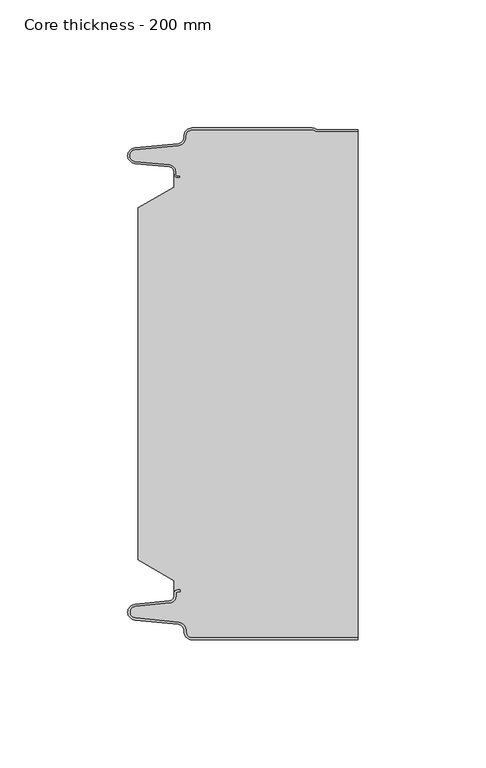
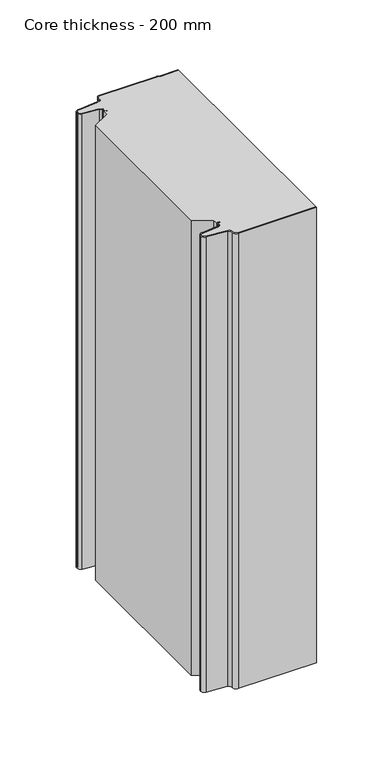
"""IFC4 building model written with IfcOpenShell, lengths in millimetres: plate geometry, Core thickness - 200 mm."""

from ifc_helpers import new_model, si_unit, frame, origin, place, context, project, spatial, polyline, circle_curve, source, transform, mapped, element, save
from ifc_brep_helpers import plane_surface, cylinder_surface, revolved_surface, advanced_brep


def core_thickness_200_mm_9d79c6a9(model_context):
    return source(origin(), model_context, "Body", "AdvancedBrep", [
        advanced_brep(
        [(-19.8000003, -199.9996949, 0.0), (-22.9923632, -196.5787437, 0.0), (-25.2560431, -193.9171154, 0.0), (-42.2115315, -192.2546153, 0.0), (-44.9999998, -189.1776715, 0.0), (-42.2115315, -186.1007278, 0.0), (-28.6195785, -184.7680252, 0.0), (-26.9952277, -182.9766159, 0.0), (-26.9952277, -181.8996949, 0.0), (-25.5952277, -180.4996949, 0.0), (-24.4952277, -180.4996949, 0.0), (-24.4952277, -181.2996949, 0.0), (-25.5952277, -181.2996949, 0.0), (-26.1952277, -181.8996949, 0.0), (-26.1952277, -182.9766159, 0.0), (-28.5415122, -185.5642071, 0.0), (-42.1334652, -186.8969097, 0.0), (-44.1999997, -189.1776715, 0.0), (-42.1334652, -191.4584333, 0.0), (-25.1779767, -193.1209335, 0.0), (-22.2078761, -196.6330399, 0.0), (-19.8000003, -199.1996949, 0.0), (44.9999998, -199.2, 0.0), (44.9999998, -199.9996949, 0.0), (-19.8000003, -199.1996949, 400.0), (-22.1942724, -196.6339815, 400.0), (-25.1779767, -193.1209335, 400.0), (-42.1334652, -191.4584333, 400.0), (-44.1999997, -189.1776715, 400.0), (-42.1334652, -186.8969097, 400.0), (-28.5415122, -185.5642071, 400.0), (-26.1952277, -182.9766159, 400.0), (-26.1952277, -181.8996949, 400.0), (-25.5952277, -181.2996949, 400.0), (-24.4952277, -181.2996949, 400.0), (-24.4952277, -180.4996949, 400.0), (-25.5952277, -180.4996949, 400.0), (-26.9952277, -181.8996949, 400.0), (-26.9952277, -182.9766159, 400.0), (-28.6195785, -184.7680252, 400.0), (-42.2115315, -186.1007278, 400.0), (-44.9999998, -189.1776715, 400.0), (-42.2115315, -192.2546153, 400.0), (-25.2560431, -193.9171154, 400.0), (-23.0059668, -196.5778021, 400.0), (-19.8000003, -199.9996949, 400.0), (44.9999998, -199.9996949, 400.0), (44.9999998, -199.2, 400.0)],
        [
            (0, 1, circle_curve(frame((-19.8000003, -196.7996949, 0.0), z_axis=(0.0, 0.0, -1.0), x_axis=(1.0, 0.0, 0.0)), 3.2)),
            (1, 2, circle_curve(frame((-25.5000003, -196.4051839, 0.0), z_axis=(0.0, 0.0, 1.0), x_axis=(1.0, 0.0, 0.0)), 2.5)),
            (2, 3),
            (3, 4, circle_curve(frame((-41.9100003, -189.1793626, 0.0), z_axis=(0.0, 0.0, -1.0), x_axis=(1.0, 0.0, 0.0)), 3.09)),
            (4, 5, circle_curve(frame((-41.9100003, -189.1759805, 0.0), z_axis=(0.0, 0.0, -1.0), x_axis=(1.0, 0.0, 0.0)), 3.09)),
            (5, 6),
            (6, 7, circle_curve(frame((-28.7952277, -182.9766159, 0.0), z_axis=(0.0, 0.0, 1.0), x_axis=(1.0, 0.0, 0.0)), 1.8)),
            (7, 8),
            (8, 9, circle_curve(frame((-25.5952277, -181.8996949, 0.0), z_axis=(0.0, 0.0, -1.0), x_axis=(1.0, 0.0, 0.0)), 1.4)),
            (9, 10),
            (10, 11),
            (11, 12),
            (12, 13, circle_curve(frame((-25.5952277, -181.8996949, 0.0), z_axis=(0.0, 0.0, 1.0), x_axis=(1.0, 0.0, 0.0)), 0.6)),
            (13, 14),
            (14, 15, circle_curve(frame((-28.7952277, -182.9766159, 0.0), z_axis=(0.0, 0.0, -1.0), x_axis=(1.0, 0.0, 0.0)), 2.6)),
            (15, 16),
            (16, 17, circle_curve(frame((-41.9100003, -189.1759805, 0.0), z_axis=(0.0, 0.0, 1.0), x_axis=(1.0, 0.0, 0.0)), 2.29)),
            (17, 18, circle_curve(frame((-41.9100003, -189.1793626, 0.0), z_axis=(0.0, 0.0, 1.0), x_axis=(1.0, 0.0, 0.0)), 2.29)),
            (18, 19),
            (19, 20, circle_curve(frame((-25.5000003, -196.4051839, 0.0), z_axis=(0.0, 0.0, -1.0), x_axis=(1.0, 0.0, 0.0)), 3.3)),
            (20, 21, circle_curve(frame((-19.8000003, -196.7996949, 0.0), z_axis=(0.0, 0.0, 1.0), x_axis=(1.0, 0.0, 0.0)), 2.4)),
            (21, 22),
            (22, 23),
            (23, 0),
            (24, 25, circle_curve(frame((-19.8000003, -196.7996949, 400.0), z_axis=(0.0, 0.0, -1.0), x_axis=(1.0, 0.0, 0.0)), 2.4)),
            (25, 26, circle_curve(frame((-25.5000003, -196.4051839, 400.0), z_axis=(0.0, 0.0, 1.0), x_axis=(1.0, 0.0, 0.0)), 3.3)),
            (26, 27),
            (27, 28, circle_curve(frame((-41.9100003, -189.1793626, 400.0), z_axis=(0.0, 0.0, -1.0), x_axis=(1.0, 0.0, 0.0)), 2.29)),
            (28, 29, circle_curve(frame((-41.9100003, -189.1759805, 400.0), z_axis=(0.0, 0.0, -1.0), x_axis=(1.0, 0.0, 0.0)), 2.29)),
            (29, 30),
            (30, 31, circle_curve(frame((-28.7952277, -182.9766159, 400.0), z_axis=(0.0, 0.0, 1.0), x_axis=(1.0, 0.0, 0.0)), 2.6)),
            (31, 32),
            (32, 33, circle_curve(frame((-25.5952277, -181.8996949, 400.0), z_axis=(0.0, 0.0, -1.0), x_axis=(1.0, 0.0, 0.0)), 0.6)),
            (33, 34),
            (34, 35),
            (35, 36),
            (36, 37, circle_curve(frame((-25.5952277, -181.8996949, 400.0), z_axis=(0.0, 0.0, 1.0), x_axis=(1.0, 0.0, 0.0)), 1.4)),
            (37, 38),
            (38, 39, circle_curve(frame((-28.7952277, -182.9766159, 400.0), z_axis=(0.0, 0.0, -1.0), x_axis=(1.0, 0.0, 0.0)), 1.8)),
            (39, 40),
            (40, 41, circle_curve(frame((-41.9100003, -189.1759805, 400.0), z_axis=(0.0, 0.0, 1.0), x_axis=(1.0, 0.0, 0.0)), 3.09)),
            (41, 42, circle_curve(frame((-41.9100003, -189.1793626, 400.0), z_axis=(0.0, 0.0, 1.0), x_axis=(1.0, 0.0, 0.0)), 3.09)),
            (42, 43),
            (43, 44, circle_curve(frame((-25.5000003, -196.4051839, 400.0), z_axis=(0.0, 0.0, -1.0), x_axis=(1.0, 0.0, 0.0)), 2.5)),
            (44, 45, circle_curve(frame((-19.8000003, -196.7996949, 400.0), z_axis=(0.0, 0.0, 1.0), x_axis=(1.0, 0.0, 0.0)), 3.2)),
            (45, 46),
            (46, 47),
            (47, 24),
            (21, 24),
            (47, 22),
            (20, 25),
            (19, 26),
            (18, 27),
            (17, 28),
            (16, 29),
            (15, 30),
            (14, 31),
            (13, 32),
            (12, 33),
            (11, 34),
            (10, 35),
            (9, 36),
            (8, 37),
            (7, 38),
            (6, 39),
            (5, 40),
            (4, 41),
            (3, 42),
            (2, 43),
            (1, 44),
            (0, 45),
            (23, 46),
        ],
        [
            plane_surface(frame((-44.9999998, -200.0, 0.0), z_axis=(0.0, 0.0, -1.0), x_axis=(0.0, 1.0, 0.0))),
            plane_surface(frame((-44.9999998, -200.0, 400.0), z_axis=(0.0, 0.0, 1.0), x_axis=(0.0, 1.0, 0.0))),
            plane_surface(frame((-19.8000003, -199.2, 0.0), z_axis=(0.0, 1.0, 0.0), x_axis=(0.0, 0.0, 1.0))),
            revolved_surface(polyline([(-17.400000300000002, -196.7996949, 400.0), (-17.400000300000002, -196.7996949, 0.0)]), (-19.8000003, -196.7996949, 0.0), (0.0, 0.0, 1.0)),
            cylinder_surface(frame((-25.5000003, -196.4051839, 0.0), z_axis=(0.0, 0.0, -1.0), x_axis=(1.0, 0.0, 0.0)), 3.3),
            plane_surface(frame((-42.1334652, -191.4584333, 0.0), z_axis=(0.09758289975914758, 0.9952273999818314, 0.0), x_axis=(0.0, 0.0, 1.0))),
            revolved_surface(polyline([(-39.6200003, -189.1793626, 400.0), (-39.6200003, -189.1793626, 0.0)]), (-41.9100003, -189.1793626, 0.0), (0.0, 0.0, 1.0)),
            revolved_surface(polyline([(-39.6200003, -189.1759805, 400.0), (-39.6200003, -189.1759805, 0.0)]), (-41.9100003, -189.1759805, 0.0), (0.0, 0.0, 1.0)),
            plane_surface(frame((-28.5415122, -185.5642071, 0.0), z_axis=(0.09758289975914383, -0.9952273999818317, 0.0), x_axis=(0.0, 0.0, 1.0))),
            cylinder_surface(frame((-28.7952277, -182.9766159, 0.0), z_axis=(0.0, 0.0, -1.0), x_axis=(1.0, 0.0, 0.0)), 2.6),
            plane_surface(frame((-26.1952277, -181.8996949, 0.0), z_axis=(1.0, 0.0, 0.0), x_axis=(0.0, 0.0, 1.0))),
            revolved_surface(polyline([(-24.995227699999997, -181.8996949, 400.0), (-24.995227699999997, -181.8996949, 0.0)]), (-25.5952277, -181.8996949, 0.0), (0.0, 0.0, 1.0)),
            plane_surface(frame((-24.4952277, -181.2996949, 0.0), z_axis=(0.0, -1.0, 0.0), x_axis=(0.0, 0.0, 1.0))),
            plane_surface(frame((-24.4952277, -180.4996949, 0.0), z_axis=(1.0, 0.0, 0.0), x_axis=(0.0, 0.0, 1.0))),
            plane_surface(frame((-25.5952277, -180.4996949, 0.0), z_axis=(0.0, 1.0, 0.0), x_axis=(0.0, 0.0, 1.0))),
            cylinder_surface(frame((-25.5952277, -181.8996949, 0.0), z_axis=(0.0, 0.0, -1.0), x_axis=(1.0, 0.0, 0.0)), 1.4),
            plane_surface(frame((-26.9952277, -182.9766159, 0.0), z_axis=(-1.0, 0.0, 0.0), x_axis=(0.0, 0.0, 1.0))),
            revolved_surface(polyline([(-26.9952277, -182.9766159, 400.0), (-26.9952277, -182.9766159, 0.0)]), (-28.7952277, -182.9766159, 0.0), (0.0, 0.0, 1.0)),
            plane_surface(frame((-42.2115315, -186.1007278, 0.0), z_axis=(-0.09758289975914387, 0.9952273999818317, 0.0), x_axis=(0.0, 0.0, 1.0))),
            cylinder_surface(frame((-41.9100003, -189.1759805, 0.0), z_axis=(0.0, 0.0, -1.0), x_axis=(1.0, 0.0, 0.0)), 3.09),
            cylinder_surface(frame((-41.9100003, -189.1793626, 0.0), z_axis=(0.0, 0.0, -1.0), x_axis=(1.0, 0.0, 0.0)), 3.09),
            plane_surface(frame((-25.2560431, -193.9171154, 0.0), z_axis=(-0.09758289975914762, -0.9952273999818314, 0.0), x_axis=(0.0, 0.0, 1.0))),
            revolved_surface(polyline([(-23.0000003, -196.4051839, 400.0), (-23.0000003, -196.4051839, 0.0)]), (-25.5000003, -196.4051839, 0.0), (0.0, 0.0, 1.0)),
            cylinder_surface(frame((-19.8000003, -196.7996949, 0.0), z_axis=(0.0, 0.0, -1.0), x_axis=(1.0, 0.0, 0.0)), 3.2),
            plane_surface(frame((1121.009932, -199.9996949, 0.0), z_axis=(0.0, -1.0, 0.0), x_axis=(0.0, 0.0, 1.0))),
            plane_surface(frame((44.9999998, 180.0, 400.0), z_axis=(1.0, 0.0, 0.0), x_axis=(0.0, 0.0, -1.0))),
        ],
        [
            (0, [[1, 2, 3, 4, 5, 6, 7, 8, 9, 10, 11, 12, 13, 14, 15, 16, 17, 18, 19, 20, 21, 22, 23, 24]]),
            (1, [[25, 26, 27, 28, 29, 30, 31, 32, 33, 34, 35, 36, 37, 38, 39, 40, 41, 42, 43, 44, 45, 46, 47, 48]]),
            (2, [[49, -48, 50, -22]]),
            (3, [[-21, 51, -25, -49]]),
            (4, [[-20, 52, -26, -51]]),
            (5, [[-19, 53, -27, -52]]),
            (6, [[-18, 54, -28, -53]]),
            (7, [[-17, 55, -29, -54]]),
            (8, [[-16, 56, -30, -55]]),
            (9, [[-15, 57, -31, -56]]),
            (10, [[-14, 58, -32, -57]]),
            (11, [[-13, 59, -33, -58]]),
            (12, [[-12, 60, -34, -59]]),
            (13, [[-11, 61, -35, -60]]),
            (14, [[-10, 62, -36, -61]]),
            (15, [[-9, 63, -37, -62]]),
            (16, [[-8, 64, -38, -63]]),
            (17, [[-7, 65, -39, -64]]),
            (18, [[-6, 66, -40, -65]]),
            (19, [[-5, 67, -41, -66]]),
            (20, [[-4, 68, -42, -67]]),
            (21, [[-3, 69, -43, -68]]),
            (22, [[-2, 70, -44, -69]]),
            (23, [[-1, 71, -45, -70]]),
            (24, [[-71, -24, 72, -46]]),
            (25, [[-23, -50, -47, -72]]),
        ],
    ),
        advanced_brep(
        [(-26.9952277, -23.1062917, 400.0), (-41.0446509, -31.1628062, 400.0), (-41.0446509, -168.7531937, 400.0), (-26.9952277, -176.8937083, 400.0), (-26.9952277, -180.4996949, 400.0), (-26.9952277, -181.8996949, 400.0), (-25.5952277, -180.4996949, 400.0), (-24.4952277, -180.4996949, 400.0), (-24.4952277, -181.2996949, 400.0), (-25.5952277, -181.2996949, 400.0), (-26.1952277, -181.8996949, 400.0), (-26.1952277, -182.9766159, 400.0), (-28.5415122, -185.5642071, 400.0), (-42.1334652, -186.8969097, 400.0), (-44.1999997, -189.1776715, 400.0), (-42.1334652, -191.4584333, 400.0), (-25.1779767, -193.1209335, 400.0), (-22.2078761, -196.6330399, 400.0), (-19.8000003, -199.1996949, 400.0), (44.9999998, -199.2, 400.0), (44.9999998, -1.5003051, 400.0), (29.4172165, -1.5003051, 400.0), (27.9978051, -1.0971009, 400.0), (26.9454197, -0.8, 400.0), (-19.8000003, -0.8, 400.0), (-22.1942724, -3.3660185, 400.0), (-25.1779767, -6.8790665, 400.0), (-42.1334652, -8.5415667, 400.0), (-44.1999997, -10.8223285, 400.0), (-42.1334652, -13.1030903, 400.0), (-28.5415122, -14.4357929, 400.0), (-26.1952277, -17.0233841, 400.0), (-26.1952277, -18.1003051, 400.0), (-25.5952277, -18.7003051, 400.0), (-24.4952277, -18.7003051, 400.0), (-24.4952277, -19.5003051, 400.0), (-25.5952277, -19.5003051, 400.0), (-26.9952277, -18.1003051, 400.0), (-26.9952277, -19.5003051, 400.0), (-26.9952277, -176.8937083, 0.0), (-41.0446509, -168.7531937, 0.0), (-41.0446509, -31.1628062, 0.0), (-26.9952277, -23.1062917, 0.0), (-26.9952277, -19.5003051, 0.0), (-26.9952277, -18.1003051, 0.0), (-25.5952277, -19.5003051, 0.0), (-24.4952277, -19.5003051, 0.0), (-24.4952277, -18.7003051, 0.0), (-25.5952277, -18.7003051, 0.0), (-26.1952277, -18.1003051, 0.0), (-26.1952277, -17.0233841, 0.0), (-28.5415122, -14.4357929, 0.0), (-42.1334652, -13.1030903, 0.0), (-44.1999997, -10.8223285, 0.0), (-42.1334652, -8.5415667, 0.0), (-25.1779767, -6.8790665, 0.0), (-22.2078761, -3.3669601, 0.0), (-19.8000003, -0.8003051, 0.0), (26.9454197, -0.8, 0.0), (27.9968355, -1.0986697, 0.0), (29.4172165, -1.5003051, 0.0), (44.9999998, -1.5003051, 0.0), (44.9999998, -199.2, 0.0), (-19.8000003, -199.2, 0.0), (-22.1942724, -196.6339815, 0.0), (-25.1779767, -193.1209335, 0.0), (-42.1334652, -191.4584333, 0.0), (-44.1999997, -189.1776715, 0.0), (-42.1334652, -186.8969097, 0.0), (-28.5415122, -185.5642071, 0.0), (-26.1952277, -182.9766159, 0.0), (-26.1952277, -181.8996949, 0.0), (-25.5952277, -181.2996949, 0.0), (-24.4952277, -181.2996949, 0.0), (-24.4952277, -180.4996949, 0.0), (-25.5952277, -180.4996949, 0.0), (-26.9952277, -181.8996949, 0.0), (-26.9952277, -180.4996949, 0.0)],
        [
            (0, 1),
            (1, 2),
            (2, 3),
            (3, 4),
            (4, 5),
            (5, 6, circle_curve(frame((-25.5952277, -181.8996949, 400.0), z_axis=(0.0, 0.0, -1.0), x_axis=(1.0, 0.0, 0.0)), 1.4)),
            (6, 7),
            (7, 8),
            (8, 9),
            (9, 10, circle_curve(frame((-25.5952277, -181.8996949, 400.0), z_axis=(0.0, 0.0, 1.0), x_axis=(1.0, 0.0, 0.0)), 0.6)),
            (10, 11),
            (11, 12, circle_curve(frame((-28.7952277, -182.9766159, 400.0), z_axis=(0.0, 0.0, -1.0), x_axis=(1.0, 0.0, 0.0)), 2.6)),
            (12, 13),
            (13, 14, circle_curve(frame((-41.9100003, -189.1759805, 400.0), z_axis=(0.0, 0.0, 1.0), x_axis=(1.0, 0.0, 0.0)), 2.29)),
            (14, 15, circle_curve(frame((-41.9100003, -189.1793626, 400.0), z_axis=(0.0, 0.0, 1.0), x_axis=(1.0, 0.0, 0.0)), 2.29)),
            (15, 16),
            (16, 17, circle_curve(frame((-25.5000003, -196.4051839, 400.0), z_axis=(0.0, 0.0, -1.0), x_axis=(1.0, 0.0, 0.0)), 3.3)),
            (17, 18, circle_curve(frame((-19.8000003, -196.7996949, 400.0), z_axis=(0.0, 0.0, 1.0), x_axis=(1.0, 0.0, 0.0)), 2.4)),
            (18, 19),
            (19, 20),
            (20, 21),
            (21, 22, circle_curve(frame((29.4172165, 1.1996949, 400.0), z_axis=(0.0, 0.0, -1.0), x_axis=(1.0, 0.0, 0.0)), 2.7)),
            (22, 23, circle_curve(frame((26.9454197, -2.8, 400.0), z_axis=(0.0, 0.0, 1.0), x_axis=(1.0, 0.0, 0.0)), 2.0)),
            (23, 24),
            (24, 25, circle_curve(frame((-19.8000003, -3.2003051, 400.0), z_axis=(0.0, 0.0, 1.0), x_axis=(1.0, 0.0, 0.0)), 2.4)),
            (25, 26, circle_curve(frame((-25.5000003, -3.5948161, 400.0), z_axis=(0.0, 0.0, -1.0), x_axis=(1.0, 0.0, 0.0)), 3.3)),
            (26, 27),
            (27, 28, circle_curve(frame((-41.9100003, -10.8206374, 400.0), z_axis=(0.0, 0.0, 1.0), x_axis=(1.0, 0.0, 0.0)), 2.29)),
            (28, 29, circle_curve(frame((-41.9100003, -10.8240195, 400.0), z_axis=(0.0, 0.0, 1.0), x_axis=(1.0, 0.0, 0.0)), 2.29)),
            (29, 30),
            (30, 31, circle_curve(frame((-28.7952277, -17.0233841, 400.0), z_axis=(0.0, 0.0, -1.0), x_axis=(1.0, 0.0, 0.0)), 2.6)),
            (31, 32),
            (32, 33, circle_curve(frame((-25.5952277, -18.1003051, 400.0), z_axis=(0.0, 0.0, 1.0), x_axis=(1.0, 0.0, 0.0)), 0.6)),
            (33, 34),
            (34, 35),
            (35, 36),
            (36, 37, circle_curve(frame((-25.5952277, -18.1003051, 400.0), z_axis=(0.0, 0.0, -1.0), x_axis=(1.0, 0.0, 0.0)), 1.4)),
            (37, 38),
            (38, 0),
            (39, 40),
            (40, 41),
            (41, 42),
            (42, 43),
            (43, 44),
            (44, 45, circle_curve(frame((-25.5952277, -18.1003051, 0.0), z_axis=(0.0, 0.0, 1.0), x_axis=(1.0, 0.0, 0.0)), 1.4)),
            (45, 46),
            (46, 47),
            (47, 48),
            (48, 49, circle_curve(frame((-25.5952277, -18.1003051, 0.0), z_axis=(0.0, 0.0, -1.0), x_axis=(1.0, 0.0, 0.0)), 0.6)),
            (49, 50),
            (50, 51, circle_curve(frame((-28.7952277, -17.0233841, 0.0), z_axis=(0.0, 0.0, 1.0), x_axis=(1.0, 0.0, 0.0)), 2.6)),
            (51, 52),
            (52, 53, circle_curve(frame((-41.9100003, -10.8240195, 0.0), z_axis=(0.0, 0.0, -1.0), x_axis=(1.0, 0.0, 0.0)), 2.29)),
            (53, 54, circle_curve(frame((-41.9100003, -10.8206374, 0.0), z_axis=(0.0, 0.0, -1.0), x_axis=(1.0, 0.0, 0.0)), 2.29)),
            (54, 55),
            (55, 56, circle_curve(frame((-25.5000003, -3.5948161, 0.0), z_axis=(0.0, 0.0, 1.0), x_axis=(1.0, 0.0, 0.0)), 3.3)),
            (56, 57, circle_curve(frame((-19.8000003, -3.2003051, 0.0), z_axis=(0.0, 0.0, -1.0), x_axis=(1.0, 0.0, 0.0)), 2.4)),
            (57, 58),
            (58, 59, circle_curve(frame((26.9454197, -2.8, 0.0), z_axis=(0.0, 0.0, -1.0), x_axis=(1.0, 0.0, 0.0)), 2.0)),
            (59, 60, circle_curve(frame((29.4172165, 1.1996949, 0.0), z_axis=(0.0, 0.0, 1.0), x_axis=(1.0, 0.0, 0.0)), 2.7)),
            (60, 61),
            (61, 62),
            (62, 63),
            (63, 64, circle_curve(frame((-19.8000003, -196.7996949, 0.0), z_axis=(0.0, 0.0, -1.0), x_axis=(1.0, 0.0, 0.0)), 2.4)),
            (64, 65, circle_curve(frame((-25.5000003, -196.4051839, 0.0), z_axis=(0.0, 0.0, 1.0), x_axis=(1.0, 0.0, 0.0)), 3.3)),
            (65, 66),
            (66, 67, circle_curve(frame((-41.9100003, -189.1793626, 0.0), z_axis=(0.0, 0.0, -1.0), x_axis=(1.0, 0.0, 0.0)), 2.29)),
            (67, 68, circle_curve(frame((-41.9100003, -189.1759805, 0.0), z_axis=(0.0, 0.0, -1.0), x_axis=(1.0, 0.0, 0.0)), 2.29)),
            (68, 69),
            (69, 70, circle_curve(frame((-28.7952277, -182.9766159, 0.0), z_axis=(0.0, 0.0, 1.0), x_axis=(1.0, 0.0, 0.0)), 2.6)),
            (70, 71),
            (71, 72, circle_curve(frame((-25.5952277, -181.8996949, 0.0), z_axis=(0.0, 0.0, -1.0), x_axis=(1.0, 0.0, 0.0)), 0.6)),
            (72, 73),
            (73, 74),
            (74, 75),
            (75, 76, circle_curve(frame((-25.5952277, -181.8996949, 0.0), z_axis=(0.0, 0.0, 1.0), x_axis=(1.0, 0.0, 0.0)), 1.4)),
            (76, 77),
            (77, 39),
            (42, 0),
            (37, 44),
            (1, 41),
            (40, 2),
            (39, 3),
            (76, 5),
            (18, 63),
            (62, 19),
            (17, 64),
            (16, 65),
            (15, 66),
            (14, 67),
            (13, 68),
            (12, 69),
            (11, 70),
            (10, 71),
            (9, 72),
            (8, 73),
            (7, 74),
            (6, 75),
            (57, 24),
            (23, 58),
            (22, 59),
            (21, 60),
            (20, 61),
            (36, 45),
            (35, 46),
            (34, 47),
            (33, 48),
            (32, 49),
            (31, 50),
            (30, 51),
            (29, 52),
            (28, 53),
            (27, 54),
            (26, 55),
            (25, 56),
        ],
        [
            plane_surface(frame((-44.9999998, 0.0, 400.0), z_axis=(0.0, 0.0, 1.0), x_axis=(0.0, -1.0, 0.0))),
            plane_surface(frame((-44.9999998, 0.0, 0.0), z_axis=(0.0, 0.0, -1.0), x_axis=(0.0, -1.0, 0.0))),
            plane_surface(frame((-26.9952277, -17.0229218, 400.0), z_axis=(-1.0, 0.0, 0.0), x_axis=(0.0, 0.0, -1.0))),
            plane_surface(frame((-41.0446509, -31.1628062, 400.0), z_axis=(-1.0, 0.0, 0.0), x_axis=(0.0, 0.0, -1.0))),
            plane_surface(frame((-26.9952277, -23.1062917, 400.0), z_axis=(-0.4974543664933155, 0.8674901459133322, 0.0), x_axis=(0.0, 0.0, -1.0))),
            plane_surface(frame((-41.0446509, -168.7531937, 400.0), z_axis=(-0.5013424225369615, -0.8652489672717159, 0.0), x_axis=(0.0, 0.0, -1.0))),
            plane_surface(frame((-26.9952277, -176.8937083, 400.0), z_axis=(-1.0, 0.0, 0.0), x_axis=(0.0, 0.0, -1.0))),
            plane_surface(frame((1121.009932, -199.2, 530.0), z_axis=(0.0, -1.0, 0.0), x_axis=(0.0, 0.0, -1.0))),
            cylinder_surface(frame((-19.8000003, -196.7996949, 530.0), z_axis=(0.0, 0.0, -1.0), x_axis=(1.0, 0.0, 0.0)), 2.4),
            revolved_surface(polyline([(-22.2000003, -196.4051839, 400.0), (-22.2000003, -196.4051839, 0.0)]), (-25.5000003, -196.4051839, 530.0), (0.0, 0.0, 1.0)),
            plane_surface(frame((-25.1779767, -193.1209335, 530.0), z_axis=(-0.09758289975914758, -0.9952273999818314, 0.0), x_axis=(0.0, 0.0, -1.0))),
            cylinder_surface(frame((-41.9100003, -189.1793626, 530.0), z_axis=(0.0, 0.0, -1.0), x_axis=(1.0, 0.0, 0.0)), 2.29),
            cylinder_surface(frame((-41.9100003, -189.1759805, 530.0), z_axis=(0.0, 0.0, -1.0), x_axis=(1.0, 0.0, 0.0)), 2.29),
            plane_surface(frame((-42.1334652, -186.8969097, 530.0), z_axis=(-0.09758289975914383, 0.9952273999818317, 0.0), x_axis=(0.0, 0.0, -1.0))),
            revolved_surface(polyline([(-26.1952277, -182.9766159, 400.0), (-26.1952277, -182.9766159, 0.0)]), (-28.7952277, -182.9766159, 530.0), (0.0, 0.0, 1.0)),
            plane_surface(frame((-26.1952277, -182.9766159, 530.0), z_axis=(-1.0, 0.0, 0.0), x_axis=(0.0, 0.0, -1.0))),
            cylinder_surface(frame((-25.5952277, -181.8996949, 530.0), z_axis=(0.0, 0.0, -1.0), x_axis=(1.0, 0.0, 0.0)), 0.6),
            plane_surface(frame((-25.5952277, -181.2996949, 530.0), z_axis=(0.0, 1.0, 0.0), x_axis=(0.0, 0.0, -1.0))),
            plane_surface(frame((-24.4952277, -181.2996949, 530.0), z_axis=(-1.0, 0.0, 0.0), x_axis=(0.0, 0.0, -1.0))),
            plane_surface(frame((-24.4952277, -180.4996949, 530.0), z_axis=(0.0, -1.0, 0.0), x_axis=(0.0, 0.0, -1.0))),
            revolved_surface(polyline([(-24.1952277, -181.8996949, 400.0), (-24.1952277, -181.8996949, 0.0)]), (-25.5952277, -181.8996949, 530.0), (0.0, 0.0, 1.0)),
            plane_surface(frame((-19.8000003, -0.8, 530.0), z_axis=(0.0, 1.0, 0.0), x_axis=(0.0, 0.0, -1.0))),
            cylinder_surface(frame((26.9454197, -2.8, 530.0), z_axis=(0.0, 0.0, -1.0), x_axis=(1.0, 0.0, 0.0)), 2.0),
            revolved_surface(polyline([(32.1172165, 1.1996949, 400.0), (32.1172165, 1.1996949, 0.0)]), (29.4172165, 1.1996949, 530.0), (0.0, 0.0, 1.0)),
            plane_surface(frame((29.4172165, -1.5003051, 530.0), z_axis=(0.0, 1.0, 0.0), x_axis=(0.0, 0.0, -1.0))),
            revolved_surface(polyline([(-24.1952277, -18.1003051, 400.0), (-24.1952277, -18.1003051, 0.0)]), (-25.5952277, -18.1003051, 530.0), (0.0, 0.0, 1.0)),
            plane_surface(frame((-25.5952277, -19.5003051, 530.0), z_axis=(0.0, 1.0, 0.0), x_axis=(0.0, 0.0, -1.0))),
            plane_surface(frame((-24.4952277, -19.5003051, 530.0), z_axis=(-1.0, 0.0, 0.0), x_axis=(0.0, 0.0, -1.0))),
            plane_surface(frame((-24.4952277, -18.7003051, 530.0), z_axis=(0.0, -1.0, 0.0), x_axis=(0.0, 0.0, -1.0))),
            cylinder_surface(frame((-25.5952277, -18.1003051, 530.0), z_axis=(0.0, 0.0, -1.0), x_axis=(1.0, 0.0, 0.0)), 0.6),
            plane_surface(frame((-26.1952277, -18.1003051, 530.0), z_axis=(-1.0, 0.0, 0.0), x_axis=(0.0, 0.0, -1.0))),
            revolved_surface(polyline([(-26.1952277, -17.0233841, 400.0), (-26.1952277, -17.0233841, 0.0)]), (-28.7952277, -17.0233841, 530.0), (0.0, 0.0, 1.0)),
            plane_surface(frame((-28.5415122, -14.4357929, 530.0), z_axis=(-0.09758289975914705, -0.9952273999818314, 0.0), x_axis=(0.0, 0.0, -1.0))),
            cylinder_surface(frame((-41.9100003, -10.8240195, 530.0), z_axis=(0.0, 0.0, -1.0), x_axis=(1.0, 0.0, 0.0)), 2.29),
            cylinder_surface(frame((-41.9100003, -10.8206374, 530.0), z_axis=(0.0, 0.0, -1.0), x_axis=(1.0, 0.0, 0.0)), 2.29),
            plane_surface(frame((-42.1334652, -8.5415667, 530.0), z_axis=(-0.09758289975914436, 0.9952273999818317, 0.0), x_axis=(0.0, 0.0, -1.0))),
            revolved_surface(polyline([(-22.2000003, -3.5948161, 400.0), (-22.2000003, -3.5948161, 0.0)]), (-25.5000003, -3.5948161, 530.0), (0.0, 0.0, 1.0)),
            cylinder_surface(frame((-19.8000003, -3.2003051, 530.0), z_axis=(0.0, 0.0, -1.0), x_axis=(1.0, 0.0, 0.0)), 2.4),
            plane_surface(frame((44.9999998, 180.0, 400.0), z_axis=(1.0, 0.0, 0.0), x_axis=(0.0, 0.0, -1.0))),
        ],
        [
            (0, [[1, 2, 3, 4, 5, 6, 7, 8, 9, 10, 11, 12, 13, 14, 15, 16, 17, 18, 19, 20, 21, 22, 23, 24, 25, 26, 27, 28, 29, 30, 31, 32, 33, 34, 35, 36, 37, 38, 39]]),
            (1, [[40, 41, 42, 43, 44, 45, 46, 47, 48, 49, 50, 51, 52, 53, 54, 55, 56, 57, 58, 59, 60, 61, 62, 63, 64, 65, 66, 67, 68, 69, 70, 71, 72, 73, 74, 75, 76, 77, 78]]),
            (2, [[79, -39, -38, 80, -44, -43]]),
            (3, [[-2, 81, -41, 82]]),
            (4, [[-1, -79, -42, -81]]),
            (5, [[-3, -82, -40, 83]]),
            (6, [[-83, -78, -77, 84, -5, -4]]),
            (7, [[85, -63, 86, -19]]),
            (8, [[-85, -18, 87, -64]]),
            (9, [[-87, -17, 88, -65]]),
            (10, [[-88, -16, 89, -66]]),
            (11, [[-89, -15, 90, -67]]),
            (12, [[-90, -14, 91, -68]]),
            (13, [[-91, -13, 92, -69]]),
            (14, [[-92, -12, 93, -70]]),
            (15, [[-93, -11, 94, -71]]),
            (16, [[-94, -10, 95, -72]]),
            (17, [[-95, -9, 96, -73]]),
            (18, [[-96, -8, 97, -74]]),
            (19, [[-97, -7, 98, -75]]),
            (20, [[-98, -6, -84, -76]]),
            (21, [[99, -24, 100, -58]]),
            (22, [[-100, -23, 101, -59]]),
            (23, [[-101, -22, 102, -60]]),
            (24, [[-102, -21, 103, -61]]),
            (25, [[104, -45, -80, -37]]),
            (26, [[-104, -36, 105, -46]]),
            (27, [[-105, -35, 106, -47]]),
            (28, [[-106, -34, 107, -48]]),
            (29, [[-107, -33, 108, -49]]),
            (30, [[-108, -32, 109, -50]]),
            (31, [[-109, -31, 110, -51]]),
            (32, [[-110, -30, 111, -52]]),
            (33, [[-111, -29, 112, -53]]),
            (34, [[-112, -28, 113, -54]]),
            (35, [[-113, -27, 114, -55]]),
            (36, [[-114, -26, 115, -56]]),
            (37, [[-99, -57, -115, -25]]),
            (38, [[-86, -62, -103, -20]]),
        ],
    ),
        advanced_brep(
        [(27.9968355, -1.0986697, 0.0), (26.9454197, -0.8, 0.0), (-19.8000003, -0.8, 0.0), (-22.1942724, -3.3660185, 0.0), (-25.1779767, -6.8790665, 0.0), (-42.1334652, -8.5415667, 0.0), (-44.1999997, -10.8223285, 0.0), (-42.1334652, -13.1030903, 0.0), (-28.5415122, -14.4357929, 0.0), (-26.1952277, -17.0233841, 0.0), (-26.1952277, -18.1003051, 0.0), (-25.5952277, -18.7003051, 0.0), (-24.4952277, -18.7003051, 0.0), (-24.4952277, -19.5003051, 0.0), (-25.5952277, -19.5003051, 0.0), (-26.9952277, -18.1003051, 0.0), (-26.9952277, -17.0233841, 0.0), (-28.6195785, -15.2319748, 0.0), (-42.2115315, -13.8992722, 0.0), (-44.9999998, -10.8223285, 0.0), (-42.2115315, -7.7453847, 0.0), (-25.2560431, -6.0828846, 0.0), (-23.0059668, -3.4221979, 0.0), (-19.8000003, -0.0003051, 0.0), (26.9454197, -0.0003051, 0.0), (28.3647528, -0.4034608, 0.0), (29.4172165, -0.7003051, 0.0), (44.9999998, -0.7003051, 0.0), (44.9999998, -1.5003051, 0.0), (29.4172165, -1.5003051, 0.0), (27.9978051, -1.0971009, 400.0), (29.4172165, -1.5003051, 400.0), (44.9999998, -1.5003051, 400.0), (44.9999998, -0.7003051, 400.0), (29.4172165, -0.7003051, 400.0), (28.3658586, -0.4016712, 400.0), (26.9454197, -0.0003051, 400.0), (-19.8000003, -0.0003051, 400.0), (-22.9923632, -3.4212563, 400.0), (-25.2560431, -6.0828846, 400.0), (-42.2115315, -7.7453847, 400.0), (-44.9999998, -10.8223285, 400.0), (-42.2115315, -13.8992722, 400.0), (-28.6195785, -15.2319748, 400.0), (-26.9952277, -17.0233841, 400.0), (-26.9952277, -18.1003051, 400.0), (-25.5952277, -19.5003051, 400.0), (-24.4952277, -19.5003051, 400.0), (-24.4952277, -18.7003051, 400.0), (-25.5952277, -18.7003051, 400.0), (-26.1952277, -18.1003051, 400.0), (-26.1952277, -17.0233841, 400.0), (-28.5415122, -14.4357929, 400.0), (-42.1334652, -13.1030903, 400.0), (-44.1999997, -10.8223285, 400.0), (-42.1334652, -8.5415667, 400.0), (-25.1779767, -6.8790665, 400.0), (-22.2078761, -3.3669601, 400.0), (-19.8000003, -0.8003051, 400.0), (26.9454197, -0.8, 400.0)],
        [
            (0, 1, circle_curve(frame((26.9454197, -2.8, 0.0), z_axis=(0.0, 0.0, 1.0), x_axis=(1.0, 0.0, 0.0)), 2.0)),
            (1, 2),
            (2, 3, circle_curve(frame((-19.8000003, -3.2003051, 0.0), z_axis=(0.0, 0.0, 1.0), x_axis=(1.0, 0.0, 0.0)), 2.4)),
            (3, 4, circle_curve(frame((-25.5000003, -3.5948161, 0.0), z_axis=(0.0, 0.0, -1.0), x_axis=(1.0, 0.0, 0.0)), 3.3)),
            (4, 5),
            (5, 6, circle_curve(frame((-41.9100003, -10.8206374, 0.0), z_axis=(0.0, 0.0, 1.0), x_axis=(1.0, 0.0, 0.0)), 2.29)),
            (6, 7, circle_curve(frame((-41.9100003, -10.8240195, 0.0), z_axis=(0.0, 0.0, 1.0), x_axis=(1.0, 0.0, 0.0)), 2.29)),
            (7, 8),
            (8, 9, circle_curve(frame((-28.7952277, -17.0233841, 0.0), z_axis=(0.0, 0.0, -1.0), x_axis=(1.0, 0.0, 0.0)), 2.6)),
            (9, 10),
            (10, 11, circle_curve(frame((-25.5952277, -18.1003051, 0.0), z_axis=(0.0, 0.0, 1.0), x_axis=(1.0, 0.0, 0.0)), 0.6)),
            (11, 12),
            (12, 13),
            (13, 14),
            (14, 15, circle_curve(frame((-25.5952277, -18.1003051, 0.0), z_axis=(0.0, 0.0, -1.0), x_axis=(1.0, 0.0, 0.0)), 1.4)),
            (15, 16),
            (16, 17, circle_curve(frame((-28.7952277, -17.0233841, 0.0), z_axis=(0.0, 0.0, 1.0), x_axis=(1.0, 0.0, 0.0)), 1.8)),
            (17, 18),
            (18, 19, circle_curve(frame((-41.9100003, -10.8240195, 0.0), z_axis=(0.0, 0.0, -1.0), x_axis=(1.0, 0.0, 0.0)), 3.09)),
            (19, 20, circle_curve(frame((-41.9100003, -10.8206374, 0.0), z_axis=(0.0, 0.0, -1.0), x_axis=(1.0, 0.0, 0.0)), 3.09)),
            (20, 21),
            (21, 22, circle_curve(frame((-25.5000003, -3.5948161, 0.0), z_axis=(0.0, 0.0, 1.0), x_axis=(1.0, 0.0, 0.0)), 2.5)),
            (22, 23, circle_curve(frame((-19.8000003, -3.2003051, 0.0), z_axis=(0.0, 0.0, -1.0), x_axis=(1.0, 0.0, 0.0)), 3.2)),
            (23, 24),
            (24, 25, circle_curve(frame((26.9454197, -2.7003051, 0.0), z_axis=(0.0, 0.0, -1.0), x_axis=(1.0, 0.0, 0.0)), 2.7)),
            (25, 26, circle_curve(frame((29.4172165, 1.2996949, 0.0), z_axis=(0.0, 0.0, 1.0), x_axis=(1.0, 0.0, 0.0)), 2.0)),
            (26, 27),
            (27, 28),
            (28, 29),
            (29, 0, circle_curve(frame((29.4172165, 1.1996949, 0.0), z_axis=(0.0, 0.0, -1.0), x_axis=(1.0, 0.0, 0.0)), 2.7)),
            (30, 31, circle_curve(frame((29.4172165, 1.1996949, 400.0), z_axis=(0.0, 0.0, 1.0), x_axis=(1.0, 0.0, 0.0)), 2.7)),
            (31, 32),
            (32, 33),
            (33, 34),
            (34, 35, circle_curve(frame((29.4172165, 1.2996949, 400.0), z_axis=(0.0, 0.0, -1.0), x_axis=(1.0, 0.0, 0.0)), 2.0)),
            (35, 36, circle_curve(frame((26.9454197, -2.7003051, 400.0), z_axis=(0.0, 0.0, 1.0), x_axis=(1.0, 0.0, 0.0)), 2.7)),
            (36, 37),
            (37, 38, circle_curve(frame((-19.8000003, -3.2003051, 400.0), z_axis=(0.0, 0.0, 1.0), x_axis=(1.0, 0.0, 0.0)), 3.2)),
            (38, 39, circle_curve(frame((-25.5000003, -3.5948161, 400.0), z_axis=(0.0, 0.0, -1.0), x_axis=(1.0, 0.0, 0.0)), 2.5)),
            (39, 40),
            (40, 41, circle_curve(frame((-41.9100003, -10.8206374, 400.0), z_axis=(0.0, 0.0, 1.0), x_axis=(1.0, 0.0, 0.0)), 3.09)),
            (41, 42, circle_curve(frame((-41.9100003, -10.8240195, 400.0), z_axis=(0.0, 0.0, 1.0), x_axis=(1.0, 0.0, 0.0)), 3.09)),
            (42, 43),
            (43, 44, circle_curve(frame((-28.7952277, -17.0233841, 400.0), z_axis=(0.0, 0.0, -1.0), x_axis=(1.0, 0.0, 0.0)), 1.8)),
            (44, 45),
            (45, 46, circle_curve(frame((-25.5952277, -18.1003051, 400.0), z_axis=(0.0, 0.0, 1.0), x_axis=(1.0, 0.0, 0.0)), 1.4)),
            (46, 47),
            (47, 48),
            (48, 49),
            (49, 50, circle_curve(frame((-25.5952277, -18.1003051, 400.0), z_axis=(0.0, 0.0, -1.0), x_axis=(1.0, 0.0, 0.0)), 0.6)),
            (50, 51),
            (51, 52, circle_curve(frame((-28.7952277, -17.0233841, 400.0), z_axis=(0.0, 0.0, 1.0), x_axis=(1.0, 0.0, 0.0)), 2.6)),
            (52, 53),
            (53, 54, circle_curve(frame((-41.9100003, -10.8240195, 400.0), z_axis=(0.0, 0.0, -1.0), x_axis=(1.0, 0.0, 0.0)), 2.29)),
            (54, 55, circle_curve(frame((-41.9100003, -10.8206374, 400.0), z_axis=(0.0, 0.0, -1.0), x_axis=(1.0, 0.0, 0.0)), 2.29)),
            (55, 56),
            (56, 57, circle_curve(frame((-25.5000003, -3.5948161, 400.0), z_axis=(0.0, 0.0, 1.0), x_axis=(1.0, 0.0, 0.0)), 3.3)),
            (57, 58, circle_curve(frame((-19.8000003, -3.2003051, 400.0), z_axis=(0.0, 0.0, -1.0), x_axis=(1.0, 0.0, 0.0)), 2.4)),
            (58, 59),
            (59, 30, circle_curve(frame((26.9454197, -2.8, 400.0), z_axis=(0.0, 0.0, -1.0), x_axis=(1.0, 0.0, 0.0)), 2.0)),
            (0, 30),
            (59, 1),
            (58, 2),
            (57, 3),
            (56, 4),
            (55, 5),
            (54, 6),
            (53, 7),
            (52, 8),
            (51, 9),
            (50, 10),
            (49, 11),
            (48, 12),
            (47, 13),
            (46, 14),
            (45, 15),
            (44, 16),
            (43, 17),
            (42, 18),
            (41, 19),
            (40, 20),
            (39, 21),
            (38, 22),
            (37, 23),
            (36, 24),
            (35, 25),
            (34, 26),
            (33, 27),
            (31, 29),
            (28, 32),
        ],
        [
            plane_surface(frame((-44.9999998, 0.0, 0.0), z_axis=(0.0, 0.0, -1.0), x_axis=(0.0, -1.0, 0.0))),
            plane_surface(frame((-44.9999998, 0.0, 400.0), z_axis=(0.0, 0.0, 1.0), x_axis=(0.0, -1.0, 0.0))),
            revolved_surface(polyline([(28.9454197, -2.8, 400.0), (28.9454197, -2.8, 0.0)]), (26.9454197, -2.8, 0.0), (0.0, 0.0, 1.0)),
            plane_surface(frame((26.9454197, -0.8, 0.0), z_axis=(0.0, -1.0, 0.0), x_axis=(0.0, 0.0, 1.0))),
            revolved_surface(polyline([(-17.400000300000002, -3.2003051, 400.0), (-17.400000300000002, -3.2003051, 0.0)]), (-19.8000003, -3.2003051, 0.0), (0.0, 0.0, 1.0)),
            cylinder_surface(frame((-25.5000003, -3.5948161, 0.0), z_axis=(0.0, 0.0, -1.0), x_axis=(1.0, 0.0, 0.0)), 3.3),
            plane_surface(frame((-25.1779767, -6.8790665, 0.0), z_axis=(0.09758289975914113, -0.9952273999818321, 0.0), x_axis=(0.0, 0.0, 1.0))),
            revolved_surface(polyline([(-39.6200003, -10.8206374, 400.0), (-39.6200003, -10.8206374, 0.0)]), (-41.9100003, -10.8206374, 0.0), (0.0, 0.0, 1.0)),
            revolved_surface(polyline([(-39.6200003, -10.8240195, 400.0), (-39.6200003, -10.8240195, 0.0)]), (-41.9100003, -10.8240195, 0.0), (0.0, 0.0, 1.0)),
            plane_surface(frame((-42.1334652, -13.1030903, 0.0), z_axis=(0.0975828997591503, 0.9952273999818312, 0.0), x_axis=(0.0, 0.0, 1.0))),
            cylinder_surface(frame((-28.7952277, -17.0233841, 0.0), z_axis=(0.0, 0.0, -1.0), x_axis=(1.0, 0.0, 0.0)), 2.6),
            plane_surface(frame((-26.1952277, -17.0233841, 0.0), z_axis=(1.0, 0.0, 0.0), x_axis=(0.0, 0.0, 1.0))),
            revolved_surface(polyline([(-24.995227699999997, -18.1003051, 400.0), (-24.995227699999997, -18.1003051, 0.0)]), (-25.5952277, -18.1003051, 0.0), (0.0, 0.0, 1.0)),
            plane_surface(frame((-25.5952277, -18.7003051, 0.0), z_axis=(0.0, 1.0, 0.0), x_axis=(0.0, 0.0, 1.0))),
            plane_surface(frame((-24.4952277, -18.7003051, 0.0), z_axis=(1.0, 0.0, 0.0), x_axis=(0.0, 0.0, 1.0))),
            plane_surface(frame((-24.4952277, -19.5003051, 0.0), z_axis=(0.0, -1.0, 0.0), x_axis=(0.0, 0.0, 1.0))),
            cylinder_surface(frame((-25.5952277, -18.1003051, 0.0), z_axis=(0.0, 0.0, -1.0), x_axis=(1.0, 0.0, 0.0)), 1.4),
            plane_surface(frame((-26.9952277, -18.1003051, 0.0), z_axis=(-1.0, 0.0, 0.0), x_axis=(0.0, 0.0, 1.0))),
            revolved_surface(polyline([(-26.9952277, -17.0233841, 400.0), (-26.9952277, -17.0233841, 0.0)]), (-28.7952277, -17.0233841, 0.0), (0.0, 0.0, 1.0)),
            plane_surface(frame((-28.6195785, -15.2319748, 0.0), z_axis=(-0.09758289975915034, -0.9952273999818312, 0.0), x_axis=(0.0, 0.0, 1.0))),
            cylinder_surface(frame((-41.9100003, -10.8240195, 0.0), z_axis=(0.0, 0.0, -1.0), x_axis=(1.0, 0.0, 0.0)), 3.09),
            cylinder_surface(frame((-41.9100003, -10.8206374, 0.0), z_axis=(0.0, 0.0, -1.0), x_axis=(1.0, 0.0, 0.0)), 3.09),
            plane_surface(frame((-42.2115315, -7.7453847, 0.0), z_axis=(-0.09758289975914117, 0.9952273999818321, 0.0), x_axis=(0.0, 0.0, 1.0))),
            revolved_surface(polyline([(-23.0000003, -3.5948161, 400.0), (-23.0000003, -3.5948161, 0.0)]), (-25.5000003, -3.5948161, 0.0), (0.0, 0.0, 1.0)),
            cylinder_surface(frame((-19.8000003, -3.2003051, 0.0), z_axis=(0.0, 0.0, -1.0), x_axis=(1.0, 0.0, 0.0)), 3.2),
            plane_surface(frame((-19.8000003, -0.0003051, 0.0), z_axis=(0.0, 1.0, 0.0), x_axis=(0.0, 0.0, 1.0))),
            cylinder_surface(frame((26.9454197, -2.7003051, 0.0), z_axis=(0.0, 0.0, -1.0), x_axis=(1.0, 0.0, 0.0)), 2.7),
            revolved_surface(polyline([(31.4172165, 1.2996949, 400.0), (31.4172165, 1.2996949, 0.0)]), (29.4172165, 1.2996949, 0.0), (0.0, 0.0, 1.0)),
            plane_surface(frame((29.4172165, -0.7003051, 0.0), z_axis=(0.0, 1.0, 0.0), x_axis=(0.0, 0.0, 1.0))),
            plane_surface(frame((79.5769997, -1.5003051, 0.0), z_axis=(0.0, -1.0, 0.0), x_axis=(0.0, 0.0, 1.0))),
            cylinder_surface(frame((29.4172165, 1.1996949, 0.0), z_axis=(0.0, 0.0, -1.0), x_axis=(1.0, 0.0, 0.0)), 2.7),
            plane_surface(frame((44.9999998, 180.0, 400.0), z_axis=(1.0, 0.0, 0.0), x_axis=(0.0, 0.0, -1.0))),
        ],
        [
            (0, [[1, 2, 3, 4, 5, 6, 7, 8, 9, 10, 11, 12, 13, 14, 15, 16, 17, 18, 19, 20, 21, 22, 23, 24, 25, 26, 27, 28, 29, 30]]),
            (1, [[31, 32, 33, 34, 35, 36, 37, 38, 39, 40, 41, 42, 43, 44, 45, 46, 47, 48, 49, 50, 51, 52, 53, 54, 55, 56, 57, 58, 59, 60]]),
            (2, [[-1, 61, -60, 62]]),
            (3, [[-2, -62, -59, 63]]),
            (4, [[-3, -63, -58, 64]]),
            (5, [[-4, -64, -57, 65]]),
            (6, [[-5, -65, -56, 66]]),
            (7, [[-6, -66, -55, 67]]),
            (8, [[-7, -67, -54, 68]]),
            (9, [[-8, -68, -53, 69]]),
            (10, [[-9, -69, -52, 70]]),
            (11, [[-10, -70, -51, 71]]),
            (12, [[-11, -71, -50, 72]]),
            (13, [[-12, -72, -49, 73]]),
            (14, [[-13, -73, -48, 74]]),
            (15, [[-14, -74, -47, 75]]),
            (16, [[-15, -75, -46, 76]]),
            (17, [[-16, -76, -45, 77]]),
            (18, [[-17, -77, -44, 78]]),
            (19, [[-18, -78, -43, 79]]),
            (20, [[-19, -79, -42, 80]]),
            (21, [[-20, -80, -41, 81]]),
            (22, [[-21, -81, -40, 82]]),
            (23, [[-22, -82, -39, 83]]),
            (24, [[-23, -83, -38, 84]]),
            (25, [[-24, -84, -37, 85]]),
            (26, [[-25, -85, -36, 86]]),
            (27, [[-26, -86, -35, 87]]),
            (28, [[-87, -34, 88, -27]]),
            (29, [[89, -29, 90, -32]]),
            (30, [[-30, -89, -31, -61]]),
            (31, [[-28, -88, -33, -90]]),
        ],
    ),
    ])


if __name__ == "__main__":
    model = new_model("IFC4")
    model_context = context("Model", 3, world=origin())
    ifc_project = project(units=[si_unit("LENGTHUNIT", "METRE", prefix="MILLI")], contexts=[model_context])
    site = spatial("IfcSite", under=ifc_project)
    building = spatial("IfcBuilding", under=site)
    placement = place(None, origin())
    core_thickness_200_mm_shape = core_thickness_200_mm_9d79c6a9(model_context)
    element("IfcPlate", 1, ObjectType="Core thickness - 200 mm", at=placement, inside=building, context=model_context, shape_type="MappedRepresentation", body=[
        mapped(core_thickness_200_mm_shape, transform((0.0, 0.0, 0.0), x_axis=(1.0, 0.0, 0.0), y_axis=(0.0, 1.0, 0.0), z_axis=(0.0, 0.0, 1.0))),
    ])
    save(model, "model.ifc")
